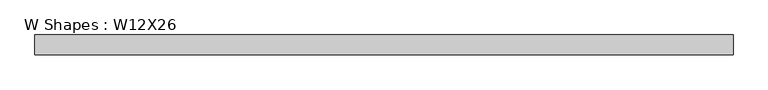
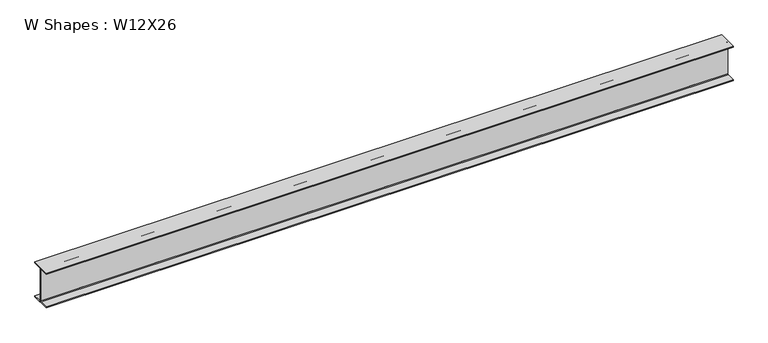
"""IFC4 building model written with IfcOpenShell, lengths in millimetres: beam geometry, W Shapes : W12X26."""

from ifc_helpers import new_model, si_unit, point, frame, frame_2d, origin, place, context, project, spatial, polyline, circle_curve, trimmed, segment, composite_curve, outline, extrude, source, transform, mapped, element, save


def w_shapes_w12x26_8c0c41f2(model_context):
    return source(origin(), model_context, "Body", "SweptSolid", [
        extrude(outline(composite_curve([segment(polyline([(82.423, -145.288), (82.423, -154.94), (-82.423, -154.94), (-82.423, -145.288), (-10.541, -145.288)]), True, "CONTINUOUS"), segment(trimmed(circle_curve(frame_2d((-10.541, -137.668)), 7.62), [point((-10.541, -145.288))], [point((-2.921, -137.668))], True, "CARTESIAN"), True, "CONTINUOUS"), segment(polyline([(-2.921, -137.668), (-2.921, 137.668)]), True, "CONTINUOUS"), segment(trimmed(circle_curve(frame_2d((-10.541, 137.668)), 7.62), [point((-2.921, 137.668))], [point((-10.541, 145.288))], True, "CARTESIAN"), True, "CONTINUOUS"), segment(polyline([(-10.541, 145.288), (-82.423, 145.288), (-82.423, 154.94), (82.423, 154.94), (82.423, 145.288), (10.541, 145.288)]), True, "CONTINUOUS"), segment(trimmed(circle_curve(frame_2d((10.541, 137.668)), 7.62), [point((10.541, 145.288))], [point((2.921, 137.668))], True, "CARTESIAN"), True, "CONTINUOUS"), segment(polyline([(2.921, 137.668), (2.921, -137.668)]), True, "CONTINUOUS"), segment(trimmed(circle_curve(frame_2d((10.541, -137.668)), 7.62), [point((2.921, -137.668))], [point((10.541, -145.288))], True, "CARTESIAN"), True, "CONTINUOUS"), segment(polyline([(10.541, -145.288), (82.423, -145.288)]), True, "CONTINUOUS")], self_intersect=False)), frame((-2759.3977316, 0.0, 0.0), z_axis=(1.0, 0.0, 0.0), x_axis=(0.0, 1.0, 0.0)), (0.0, 0.0, 1.0), 5791.2),
    ])


if __name__ == "__main__":
    model = new_model("IFC4")
    model_context = context("Model", 3, world=origin())
    ifc_project = project(units=[si_unit("LENGTHUNIT", "METRE", prefix="MILLI")], contexts=[model_context])
    site = spatial("IfcSite", under=ifc_project)
    building = spatial("IfcBuilding", under=site)
    placement = place(None, origin())
    w_shapes_w12x26_shape = w_shapes_w12x26_8c0c41f2(model_context)
    element("IfcBeam", 1, ObjectType="W Shapes : W12X26", at=placement, inside=building, context=model_context, shape_type="MappedRepresentation", body=[
        mapped(w_shapes_w12x26_shape, transform((0.0, 0.0, 0.0), x_axis=(1.0, 0.0, 0.0), y_axis=(0.0, 1.0, 0.0), z_axis=(0.0, 0.0, 1.0))),
    ])
    save(model, "model.ifc")
